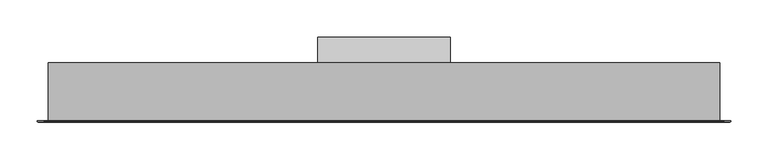
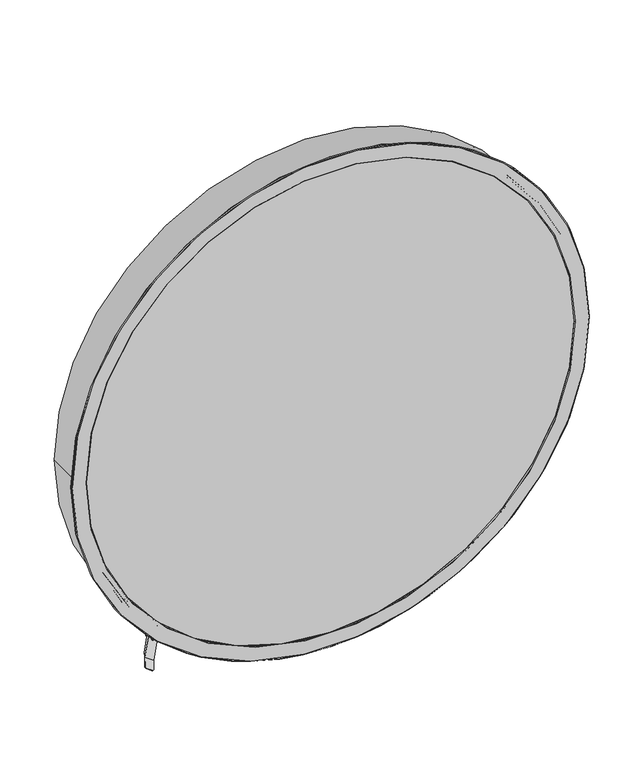
"""IFC4 building model written with IfcOpenShell, lengths in millimetres: proxy geometry."""

from ifc_helpers import new_model, si_unit, point, frame, frame_2d, origin, place, context, project, spatial, polyline, circle_curve, trimmed, segment, composite_curve, outline, extrude, source, transform, mapped, element, save
from ifc_brep_helpers import plane_surface, cylinder_surface, revolved_surface, advanced_brep


def generic_models_aa4fda2a(model_context):
    return source(origin(), model_context, "Body", "SolidModel", [
        advanced_brep(
        [(900.0, 2.0, 0.0), (900.0, 80.0, 0.0), (0.0, 80.0, 0.0), (0.0, 2.0, 0.0), (915.0, 2.0, 0.0), (-15.0, 2.0, 0.0), (915.0, 1.0, 0.0), (-15.0, 1.0, 0.0), (914.0, 0.0, 1e-07), (-14.0, 0.0, -1e-07), (889.0, 0.0, 0.0), (11.0, 0.0, 0.0), (12.0, 1.0, 0.0), (888.0, 1.0, 0.0), (888.0, 1.99, 0.0), (12.0, 1.99, 0.0), (898.0, 1.99, 0.0), (2.0, 1.99, 0.0), (2.0, 5.2, 0.0), (898.0, 5.2, 0.0), (892.8, 5.2, 0.0), (7.2, 5.2, 0.0), (7.2, 6.0, 0.0), (892.8, 6.0, 0.0), (894.3, 7.0, 0.0), (5.7, 7.0, 0.0), (898.0, 7.0, 0.0), (2.0, 7.0, 0.0), (2.0, 75.0, 0.0), (898.0, 75.0, 0.0), (888.0, 75.0, 0.0), (12.0, 75.0, 0.0), (12.0, 78.0, 0.0), (888.0, 78.0, 0.0), (898.0, 78.0, 0.0), (2.0, 78.0, 0.0), (2.0, 80.0, 0.0), (898.0, 80.0, 0.0)],
        [
            (0, 1),
            (1, 2, circle_curve(frame((450.0, 80.0, 0.0), z_axis=(0.0, -1.0, 0.0), x_axis=(1.0, 0.0, 0.0)), 450.0)),
            (2, 3),
            (3, 0, circle_curve(frame((450.0, 2.0, 0.0), z_axis=(0.0, 1.0, 0.0), x_axis=(1.0, 0.0, 0.0)), 450.0)),
            (4, 5, circle_curve(frame((450.0, 2.0, 0.0), z_axis=(0.0, 1.0, 0.0), x_axis=(1.0, 0.0, 0.0)), 465.0)),
            (5, 4, circle_curve(frame((450.0, 2.0, 0.0), z_axis=(0.0, 1.0, 0.0), x_axis=(1.0, 0.0, 0.0)), 465.0)),
            (3, 0, circle_curve(frame((450.0, 2.0, 0.0), z_axis=(0.0, -1.0, 0.0), x_axis=(1.0, 0.0, 0.0)), 450.0)),
            (6, 4),
            (5, 7),
            (7, 6, circle_curve(frame((450.0, 1.0, 0.0), z_axis=(0.0, 1.0, 0.0), x_axis=(1.0, 0.0, 0.0)), 465.0)),
            (8, 6),
            (7, 9),
            (9, 8, circle_curve(frame((450.0, 0.0, 0.0), z_axis=(0.0, 1.0, 0.0), x_axis=(-1.0, 0.0, -1.2695515143649633e-10)), 464.0)),
            (9, 8, circle_curve(frame((450.0, 0.0, 0.0), z_axis=(0.0, -1.0, 0.0), x_axis=(1.0, 0.0, 1.2689843048231545e-10)), 464.0)),
            (10, 11, circle_curve(frame((450.0, 0.0, 0.0), z_axis=(0.0, 1.0, 0.0), x_axis=(1.0, 0.0, 0.0)), 439.0)),
            (11, 10, circle_curve(frame((450.0, 0.0, 0.0), z_axis=(0.0, 1.0, 0.0), x_axis=(-1.0, 0.0, 0.0)), 439.0)),
            (12, 13, circle_curve(frame((450.0, 1.0, 0.0), z_axis=(0.0, 1.0, 0.0), x_axis=(-1.0, 0.0, 0.0)), 438.0)),
            (13, 10),
            (11, 12),
            (13, 12, circle_curve(frame((450.0, 1.0, 0.0), z_axis=(0.0, 1.0, 0.0), x_axis=(1.0, 0.0, 0.0)), 438.0)),
            (13, 14),
            (14, 15, circle_curve(frame((450.0, 1.99, 0.0), z_axis=(0.0, 1.0, 0.0), x_axis=(1.0, 0.0, 0.0)), 438.0)),
            (15, 12),
            (15, 14, circle_curve(frame((450.0, 1.99, 0.0), z_axis=(0.0, 1.0, 0.0), x_axis=(1.0, 0.0, 0.0)), 438.0)),
            (16, 17, circle_curve(frame((450.0, 1.99, 0.0), z_axis=(0.0, 1.0, 0.0), x_axis=(1.0, 0.0, 0.0)), 448.0)),
            (17, 16, circle_curve(frame((450.0, 1.99, 0.0), z_axis=(0.0, 1.0, 0.0), x_axis=(1.0, 0.0, 0.0)), 448.0)),
            (18, 19, circle_curve(frame((450.0, 5.2, 0.0), z_axis=(0.0, 1.0, 0.0), x_axis=(1.0, 0.0, 0.0)), 448.0)),
            (19, 16),
            (17, 18),
            (19, 18, circle_curve(frame((450.0, 5.2, 0.0), z_axis=(0.0, 1.0, 0.0), x_axis=(1.0, 0.0, 0.0)), 448.0)),
            (20, 21, circle_curve(frame((450.0, 5.2, 0.0), z_axis=(0.0, 1.0, 0.0), x_axis=(1.0, 0.0, 0.0)), 442.8)),
            (21, 20, circle_curve(frame((450.0, 5.2, 0.0), z_axis=(0.0, 1.0, 0.0), x_axis=(1.0, 0.0, 0.0)), 442.8)),
            (22, 23, circle_curve(frame((450.0, 6.0, 0.0), z_axis=(0.0, 1.0, 0.0), x_axis=(1.0, 0.0, 0.0)), 442.8)),
            (23, 20),
            (21, 22),
            (23, 22, circle_curve(frame((450.0, 6.0, 0.0), z_axis=(0.0, 1.0, 0.0), x_axis=(1.0, 0.0, 0.0)), 442.8)),
            (23, 24),
            (24, 25, circle_curve(frame((450.0, 7.0, 0.0), z_axis=(0.0, 1.0, 0.0), x_axis=(1.0, 0.0, 0.0)), 444.3)),
            (25, 22),
            (25, 24, circle_curve(frame((450.0, 7.0, 0.0), z_axis=(0.0, 1.0, 0.0), x_axis=(-1.0, 0.0, 0.0)), 444.3)),
            (26, 27, circle_curve(frame((450.0, 7.0, 0.0), z_axis=(0.0, 1.0, 0.0), x_axis=(1.0, 0.0, 0.0)), 448.0)),
            (27, 26, circle_curve(frame((450.0, 7.0, 0.0), z_axis=(0.0, 1.0, 0.0), x_axis=(1.0, 0.0, 0.0)), 448.0)),
            (28, 29, circle_curve(frame((450.0, 75.0, 0.0), z_axis=(0.0, 1.0, 0.0), x_axis=(1.0, 0.0, 0.0)), 448.0)),
            (29, 26),
            (27, 28),
            (29, 28, circle_curve(frame((450.0, 75.0, 0.0), z_axis=(0.0, 1.0, 0.0), x_axis=(1.0, 0.0, 0.0)), 448.0)),
            (30, 31, circle_curve(frame((450.0, 75.0, 0.0), z_axis=(0.0, 1.0, 0.0), x_axis=(1.0, 0.0, 0.0)), 438.0)),
            (31, 30, circle_curve(frame((450.0, 75.0, 0.0), z_axis=(0.0, 1.0, 0.0), x_axis=(1.0, 0.0, 0.0)), 438.0)),
            (32, 33, circle_curve(frame((450.0, 78.0, 0.0), z_axis=(0.0, 1.0, 0.0), x_axis=(1.0, 0.0, 0.0)), 438.0)),
            (33, 30),
            (31, 32),
            (33, 32, circle_curve(frame((450.0, 78.0, 0.0), z_axis=(0.0, 1.0, 0.0), x_axis=(1.0, 0.0, 0.0)), 438.0)),
            (34, 35, circle_curve(frame((450.0, 78.0, 0.0), z_axis=(0.0, 1.0, 0.0), x_axis=(1.0, 0.0, 0.0)), 448.0)),
            (35, 34, circle_curve(frame((450.0, 78.0, 0.0), z_axis=(0.0, 1.0, 0.0), x_axis=(1.0, 0.0, 0.0)), 448.0)),
            (36, 37, circle_curve(frame((450.0, 80.0, 0.0), z_axis=(0.0, 1.0, 0.0), x_axis=(1.0, 0.0, 0.0)), 448.0)),
            (37, 34),
            (35, 36),
            (37, 36, circle_curve(frame((450.0, 80.0, 0.0), z_axis=(0.0, 1.0, 0.0), x_axis=(1.0, 0.0, 0.0)), 448.0)),
            (1, 2, circle_curve(frame((450.0, 80.0, 0.0), z_axis=(0.0, 1.0, 0.0), x_axis=(1.0, 0.0, 0.0)), 450.0)),
            (7, 6, circle_curve(frame((450.0, 1.0, 0.0), z_axis=(0.0, -1.0, 0.0), x_axis=(1.0, 0.0, 1.2689843048231545e-10)), 465.0)),
        ],
        [
            cylinder_surface(frame((450.0, -4.0, 0.0), z_axis=(0.0, 1.0, 0.0), x_axis=(1.0, 0.0, 0.0)), 450.0),
            plane_surface(frame((450.0, 2.0, 0.0), z_axis=(0.0, 1.0, 0.0), x_axis=(1.0, 0.0, 0.0))),
            cylinder_surface(frame((450.0, 0.0, 0.0), z_axis=(0.0, -1.0, 0.0), x_axis=(1.0, 0.0, 0.0)), 465.0),
            revolved_surface(polyline([(914.0, 0.0, 0.0), (915.0, 1.0, 0.0)]), (450.0, -464.0, 0.0), (0.0, 1.0, 0.0)),
            plane_surface(frame((450.0, 0.0, 0.0), z_axis=(0.0, -1.0, 0.0), x_axis=(1.0, 0.0, 0.0))),
            revolved_surface(polyline([(889.0, 0.0, 0.0), (888.0, 1.0, 0.0)]), (450.0, 439.0, 0.0), (0.0, -1.0, 0.0)),
            revolved_surface(polyline([(11.0, 0.0, 0.0), (12.0, 1.0, 0.0)]), (450.0, 439.0, 0.0), (0.0, -1.0, 0.0)),
            revolved_surface(polyline([(888.0, 1.9900000000000002, 0.0), (888.0, 1.0, 0.0)]), (450.0, -4.0, 0.0), (0.0, 1.0, 0.0)),
            plane_surface(frame((450.0, 1.99, 0.0), z_axis=(0.0, 1.0, 0.0), x_axis=(1.0, 0.0, 0.0))),
            revolved_surface(polyline([(898.0, 5.199999999999999, 0.0), (898.0, 1.9900000000000002, 0.0)]), (450.0, -4.0, 0.0), (0.0, 1.0, 0.0)),
            plane_surface(frame((450.0, 5.2, 0.0), z_axis=(0.0, -1.0, 0.0), x_axis=(1.0, 0.0, 0.0))),
            revolved_surface(polyline([(892.8, 6.0, 0.0), (892.8, 5.199999999999999, 0.0)]), (450.0, -4.0, 0.0), (0.0, 1.0, 0.0)),
            revolved_surface(polyline([(894.3, 7.0, 0.0), (892.8, 6.0, 0.0)]), (450.0, -289.2, 0.0), (0.0, 1.0, 0.0)),
            revolved_surface(polyline([(5.699999999999989, 7.0, 0.0), (7.199999999999989, 6.0, 0.0)]), (450.0, -289.2, 0.0), (0.0, 1.0, 0.0)),
            plane_surface(frame((450.0, 7.0, 0.0), z_axis=(0.0, 1.0, 0.0), x_axis=(1.0, 0.0, 0.0))),
            revolved_surface(polyline([(898.0, 75.0, 0.0), (898.0, 7.0, 0.0)]), (450.0, -4.0, 0.0), (0.0, 1.0, 0.0)),
            plane_surface(frame((450.0, 75.0, 0.0), z_axis=(0.0, -1.0, 0.0), x_axis=(1.0, 0.0, 0.0))),
            revolved_surface(polyline([(888.0, 78.0, 0.0), (888.0, 75.0, 0.0)]), (450.0, -4.0, 0.0), (0.0, 1.0, 0.0)),
            plane_surface(frame((450.0, 78.0, 0.0), z_axis=(0.0, 1.0, 0.0), x_axis=(1.0, 0.0, 0.0))),
            revolved_surface(polyline([(898.0, 80.0, 0.0), (898.0, 78.0, 0.0)]), (450.0, -4.0, 0.0), (0.0, 1.0, 0.0)),
            plane_surface(frame((450.0, 80.0, 0.0), z_axis=(0.0, 1.0, 0.0), x_axis=(1.0, 0.0, 0.0))),
            revolved_surface(polyline([(-14.0, 0.0, 0.0), (-15.0, 1.0, 0.0)]), (450.0, -464.0, 0.0), (0.0, 1.0, 0.0)),
        ],
        [
            (0, [[1, 2, 3, 4]]),
            (1, [[5, 6], [7, -4]]),
            (2, [[8, -6, 9, 10]]),
            (3, [[11, -10, 12, 13]]),
            (4, [[-13, 14], [15, 16]]),
            (5, [[17, 18, -16, 19]]),
            (6, [[-15, -18, 20, -19]]),
            (7, [[-20, 21, 22, 23]]),
            (7, [[24, -21, -17, -23]]),
            (8, [[25, 26], [-24, -22]]),
            (9, [[27, 28, -26, 29]]),
            (9, [[-25, -28, 30, -29]]),
            (10, [[-27, -30], [31, 32]]),
            (11, [[33, 34, -32, 35]]),
            (11, [[-31, -34, 36, -35]]),
            (12, [[-36, 37, 38, 39]]),
            (13, [[40, -37, -33, -39]]),
            (14, [[41, 42], [-40, -38]]),
            (15, [[43, 44, -42, 45]]),
            (15, [[-41, -44, 46, -45]]),
            (16, [[-43, -46], [47, 48]]),
            (17, [[49, 50, -48, 51]]),
            (17, [[-47, -50, 52, -51]]),
            (18, [[53, 54], [-49, -52]]),
            (19, [[55, 56, -54, 57]]),
            (19, [[-53, -56, 58, -57]]),
            (20, [[59, -2], [-55, -58]]),
            (0, [[-3, -59, -1, -7]]),
            (21, [[-12, 60, -11, -14]]),
            (2, [[-9, -5, -8, -60]]),
        ],
    ),
        extrude(outline(composite_curve([segment(trimmed(circle_curve(frame_2d((0.0, 450.0)), 447.0), [point((0.0, 897.0))], [point((0.0, 3.0))], False, "CARTESIAN"), True, "CONTINUOUS"), segment(trimmed(circle_curve(frame_2d((0.0, 450.0)), 447.0), [point((0.0, 3.0))], [point((0.0, 897.0))], False, "CARTESIAN"), True, "CONTINUOUS")], self_intersect=False)), frame((0.0, 1.99, 0.0), z_axis=(0.0, 1.0, 0.0), x_axis=(0.0, 0.0, 1.0)), (0.0, 0.0, 1.0), 1.0),
        advanced_brep(
        [(897.0, 78.0, 0.0), (3.0, 78.0, 0.0), (455.0, 78.0, 0.0), (445.0, 78.0, 0.0), (3.0, 79.0, 0.0), (897.0, 79.0, 0.0), (361.0, 79.0, -50.0), (539.0, 79.0, -50.0), (539.0, 79.0, 50.0), (361.0, 79.0, 50.0), (361.0, 114.0, 50.0), (361.0, 114.0, -50.0), (539.0, 114.0, -50.0), (539.0, 114.0, 50.0), (455.0, 79.0, 0.0), (445.0, 79.0, 0.0)],
        [
            (0, 1, circle_curve(frame((450.0, 78.0, 0.0), z_axis=(0.0, -1.0, 0.0), x_axis=(1.0, 0.0, 0.0)), 447.0)),
            (1, 0, circle_curve(frame((450.0, 78.0, 0.0), z_axis=(0.0, -1.0, 0.0), x_axis=(1.0, 0.0, 0.0)), 447.0)),
            (2, 3, circle_curve(frame((450.0, 78.0, 0.0), z_axis=(0.0, 1.0, 0.0), x_axis=(1.0, 0.0, 0.0)), 5.0)),
            (3, 2, circle_curve(frame((450.0, 78.0, 0.0), z_axis=(0.0, 1.0, 0.0), x_axis=(1.0, 0.0, 0.0)), 5.0)),
            (1, 4),
            (4, 5, circle_curve(frame((450.0, 79.0, 0.0), z_axis=(0.0, -1.0, 0.0), x_axis=(1.0, 0.0, 0.0)), 447.0)),
            (5, 0),
            (5, 4, circle_curve(frame((450.0, 79.0, 0.0), z_axis=(0.0, -1.0, 0.0), x_axis=(1.0, 0.0, 0.0)), 447.0)),
            (6, 7),
            (7, 8),
            (8, 9),
            (9, 6),
            (9, 10),
            (10, 11),
            (11, 6),
            (11, 12),
            (12, 7),
            (12, 13),
            (13, 8),
            (13, 10),
            (14, 2),
            (3, 15),
            (15, 14, circle_curve(frame((450.0, 79.0, 0.0), z_axis=(0.0, 1.0, 0.0), x_axis=(1.0, 0.0, 0.0)), 5.0)),
            (15, 14, circle_curve(frame((450.0, 79.0, 0.0), z_axis=(0.0, -1.0, 0.0), x_axis=(1.0, 0.0, 0.0)), 5.0)),
        ],
        [
            plane_surface(frame((240.0, 78.0, 240.0), z_axis=(0.0, -1.0, 0.0), x_axis=(1.0, 0.0, 0.0))),
            cylinder_surface(frame((450.0, 78.0, 0.0), z_axis=(0.0, 1.0, 0.0), x_axis=(1.0, 0.0, 0.0)), 447.0),
            plane_surface(frame((240.0, 79.0, 240.0), z_axis=(0.0, 1.0, 0.0), x_axis=(1.0, 0.0, 0.0))),
            plane_surface(frame((361.0, 79.0, -50.0), z_axis=(-1.0, 0.0, 0.0), x_axis=(0.0, 0.0, 1.0))),
            plane_surface(frame((539.0, 79.0, -50.0), z_axis=(0.0, 0.0, -1.0), x_axis=(-1.0, 0.0, 0.0))),
            plane_surface(frame((539.0, 79.0, 50.0), z_axis=(1.0, 0.0, 0.0), x_axis=(0.0, 0.0, -1.0))),
            plane_surface(frame((361.0, 79.0, 50.0), z_axis=(0.0, 0.0, 1.0), x_axis=(1.0, 0.0, 0.0))),
            plane_surface(frame((240.0, 114.0, 240.0), z_axis=(0.0, 1.0, 0.0), x_axis=(1.0, 0.0, 0.0))),
            revolved_surface(polyline([(455.0, 79.0, 0.0), (455.0, 78.0, 0.0)]), (450.0, 78.0, 0.0), (0.0, 1.0, 0.0)),
            plane_surface(frame((240.0, 79.0, 240.0), z_axis=(0.0, -1.0, 0.0), x_axis=(1.0, 0.0, 0.0))),
        ],
        [
            (0, [[1, 2], [3, 4]]),
            (1, [[5, 6, 7, -2]]),
            (1, [[-7, 8, -5, -1]]),
            (2, [[-8, -6], [9, 10, 11, 12]]),
            (3, [[13, 14, 15, -12]]),
            (4, [[-15, 16, 17, -9]]),
            (5, [[-17, 18, 19, -10]]),
            (6, [[-19, 20, -13, -11]]),
            (7, [[-20, -18, -16, -14]]),
            (8, [[21, -4, 22, 23]]),
            (9, [[24, -23]]),
            (8, [[-22, -3, -21, -24]]),
        ],
    ),
        advanced_brep(
        [(169.8725713, 15.0870928, -360.4462829), (168.9500213, 15.0870928, -361.6290345), (168.0621065, 46.4893429, -360.9364582), (169.2921732, 46.4893429, -359.359456), (170.4657252, 48.4880583, -357.7383721), (170.3668244, 51.9858101, -357.6612293), (172.7139284, 55.9832407, -354.4190615), (173.4477465, 30.030818, -354.991442), (171.176345, 55.9832407, -356.3903143), (169.331245, 55.9832407, -358.7558176), (168.1492531, 55.9294855, -357.8338602), (169.9943531, 55.9294855, -355.4683569), (158.1744338, 55.3919336, -346.2487828), (159.3564257, 55.4456888, -347.1707402), (157.5113257, 55.4456888, -349.5362436), (156.3293338, 55.3919336, -348.6142862), (172.2657545, 29.9770628, -354.0694845), (171.5319364, 55.9294855, -353.4971041), (169.1848325, 51.9320549, -356.7392719), (169.2837332, 48.4343031, -356.8164147), (168.1101813, 46.4355878, -358.4374986), (167.8026646, 46.4355878, -358.8317492), (168.6905794, 15.0333376, -359.5243255), (156.8706601, 14.4957857, -350.3047514), (158.052652, 14.5495409, -351.2267088), (161.6278272, 29.4932661, -345.7718679), (160.4458352, 29.4395109, -344.8499105), (155.9481101, 14.4957857, -351.4875031), (157.1647372, 45.951791, -350.5341325), (164.8775477, 31.2929165, -356.5501488), (160.9375747, 31.1137326, -353.4769575), (157.4722539, 45.951791, -350.1398819), (158.6458059, 47.9505063, -348.5187981), (158.5469051, 51.4482581, -348.4416552), (160.8940091, 55.4456888, -345.1994875), (159.7120171, 55.3919336, -344.2775301), (157.3649132, 51.394503, -347.5196978), (157.4638139, 47.8967512, -347.5968407), (156.290262, 45.8980358, -349.2179245), (155.0601953, 45.8980358, -350.7949268), (160.0150246, 31.1137326, -354.6597092), (163.9549977, 31.2929165, -357.7329005)],
        [
            (0, 1),
            (1, 2),
            (2, 3),
            (3, 4, circle_curve(frame((169.2356585, 48.4880583, -359.3153744), z_axis=(-0.7879946195436067, -0.03583679412656441, 0.6146382706576747), x_axis=(0.6150333337583725, 0.0, 0.7885011086650814)), 2.0)),
            (4, 5),
            (5, 6, circle_curve(frame((170.253795, 55.9832407, -357.573066), z_axis=(0.7879946195436067, 0.03583679412656441, -0.6146382706576747), x_axis=(-0.6150333337583725, 0.0, -0.7885011086650814)), 4.0)),
            (6, 7),
            (7, 0),
            (8, 9, circle_curve(frame((170.253795, 55.9832407, -357.573066), z_axis=(-0.7879946195436068, -0.03583679412656441, 0.6146382706576746), x_axis=(-0.6150333337583724, 0.0, -0.7885011086650814)), 1.5)),
            (9, 8, circle_curve(frame((170.253795, 55.9832407, -357.573066), z_axis=(-0.7879946195436068, -0.03583679412656441, 0.6146382706576746), x_axis=(-0.6150333337583724, 0.0, -0.7885011086650814)), 1.5)),
            (9, 10),
            (10, 11, circle_curve(frame((169.0718031, 55.9294855, -356.6511086), z_axis=(-0.7879946195436068, -0.03583679412656441, 0.6146382706576746), x_axis=(-0.6150333337583724, 0.0, -0.7885011086650814)), 1.5)),
            (11, 8),
            (12, 13),
            (13, 14, circle_curve(frame((158.4338757, 55.4456888, -348.3534919), z_axis=(0.7879946195436068, 0.03583679412656441, -0.6146382706576746), x_axis=(-0.6150333337583724, 0.0, -0.7885011086650814)), 1.5)),
            (14, 15),
            (15, 12, circle_curve(frame((157.2518838, 55.3919336, -347.4315345), z_axis=(-0.7879946195436068, -0.03583679412656441, 0.6146382706576746), x_axis=(-0.6150333337583724, 0.0, -0.7885011086650814)), 1.5)),
            (11, 10, circle_curve(frame((169.0718031, 55.9294855, -356.6511086), z_axis=(-0.7879946195436068, -0.03583679412656441, 0.6146382706576746), x_axis=(-0.6150333337583724, 0.0, -0.7885011086650814)), 1.5)),
            (14, 13, circle_curve(frame((158.4338757, 55.4456888, -348.3534919), z_axis=(0.7879946195436068, 0.03583679412656441, -0.6146382706576746), x_axis=(-0.6150333337583724, 0.0, -0.7885011086650814)), 1.5)),
            (12, 15, circle_curve(frame((157.2518838, 55.3919336, -347.4315345), z_axis=(-0.7879946195436068, -0.03583679412656441, 0.6146382706576746), x_axis=(-0.6150333337583724, 0.0, -0.7885011086650814)), 1.5)),
            (16, 17),
            (17, 18, circle_curve(frame((169.0718031, 55.9294855, -356.6511086), z_axis=(-0.7879946195436067, -0.03583679412656441, 0.6146382706576747), x_axis=(-0.6150333337583725, 0.0, -0.7885011086650814)), 4.0)),
            (18, 19),
            (19, 20, circle_curve(frame((168.0536666, 48.4343031, -358.393417), z_axis=(0.7879946195436067, 0.03583679412656441, -0.6146382706576747), x_axis=(0.6150333337583725, 0.0, 0.7885011086650814)), 2.0)),
            (20, 21),
            (21, 22),
            (22, 16),
            (7, 16),
            (22, 0),
            (23, 24),
            (24, 25),
            (25, 26),
            (26, 23),
            (23, 27),
            (27, 1),
            (22, 24),
            (21, 28),
            (28, 24),
            (29, 30, circle_curve(frame((162.9075612, 31.2033246, -355.0135532), z_axis=(-0.6150333337583723, 0.0, -0.7885011086650816), x_axis=(-0.787994619543607, -0.0358367941265644, 0.6146382706576744)), 2.5)),
            (30, 29, circle_curve(frame((162.9075612, 31.2033246, -355.0135532), z_axis=(-0.6150333337583723, 0.0, -0.7885011086650816), x_axis=(-0.787994619543607, -0.0358367941265644, 0.6146382706576744)), 2.5)),
            (28, 31),
            (31, 32, circle_curve(frame((157.4157392, 47.9505063, -350.0958003), z_axis=(-0.7879946195436067, -0.03583679412656441, 0.6146382706576747), x_axis=(0.6150333337583725, 0.0, 0.7885011086650814)), 2.0)),
            (32, 33),
            (33, 34, circle_curve(frame((158.4338757, 55.4456888, -348.3534919), z_axis=(0.7879946195436067, 0.03583679412656441, -0.6146382706576747), x_axis=(-0.6150333337583725, 0.0, -0.7885011086650814)), 4.0)),
            (34, 25),
            (34, 35),
            (35, 26),
            (35, 36, circle_curve(frame((157.2518838, 55.3919336, -347.4315345), z_axis=(-0.7879946195436067, -0.03583679412656441, 0.6146382706576747), x_axis=(-0.6150333337583725, 0.0, -0.7885011086650814)), 4.0)),
            (36, 37),
            (37, 38, circle_curve(frame((156.2337473, 47.8967512, -349.1738429), z_axis=(0.7879946195436067, 0.03583679412656441, -0.6146382706576747), x_axis=(0.6150333337583725, 0.0, 0.7885011086650814)), 2.0)),
            (38, 39),
            (39, 27),
            (39, 2),
            (40, 41, circle_curve(frame((161.9850112, 31.2033246, -356.1963048), z_axis=(0.6150333337583723, 0.0, 0.7885011086650816), x_axis=(-0.787994619543607, -0.0358367941265644, 0.6146382706576744)), 2.5)),
            (41, 40, circle_curve(frame((161.9850112, 31.2033246, -356.1963048), z_axis=(0.6150333337583723, 0.0, 0.7885011086650816), x_axis=(-0.787994619543607, -0.0358367941265644, 0.6146382706576744)), 2.5)),
            (38, 31),
            (20, 3),
            (19, 4),
            (18, 5),
            (36, 33),
            (32, 37),
            (17, 6),
            (30, 40),
            (41, 29),
        ],
        [
            plane_surface(frame((166.8070967, 36.4957664, -363.1281192), z_axis=(0.7879946195436067, 0.03583679412656441, -0.6146382706576747), x_axis=(-0.6150333337583725, 0.0, -0.7885011086650814))),
            revolved_surface(polyline([(168.14925308575414, 55.929485511590926, -357.83386021758804), (169.33124502433176, 55.983240703202, -358.75581763079913)]), (157.2518838, 55.3919336, -347.4315345), (-0.7879946195436066, -0.0358367941265644, 0.6146382706576745)),
            revolved_surface(polyline([(156.32933378104514, 55.39193359916696, -348.6142861487101), (157.5113257261415, 55.445688791074495, -349.5362435670058)]), (157.2518838, 55.3919336, -347.4315345), (-0.7879946195436066, -0.0358367941265644, 0.6146382706576745)),
            plane_surface(frame((165.6251048, 36.4420112, -362.2061618), z_axis=(-0.7879946195436067, -0.03583679412656441, 0.6146382706576747), x_axis=(-0.6150333337583725, 0.0, -0.7885011086650814))),
            plane_surface(frame((160.4458352, 29.4395109, -344.8499105), z_axis=(0.5753134575891286, -0.39839535087401956, 0.7143497532153342), x_axis=(-0.21926902445892485, -0.916513430664656, -0.3345507828777782))),
            plane_surface(frame((128.9583005, 13.3382573, -333.6059397), z_axis=(0.02825735189979861, -0.9993576557903233, -0.022040822962872967), x_axis=(0.7879946195436068, 0.035836794126564396, -0.6146382706576744))),
            plane_surface(frame((169.2672301, 36.4957664, -359.9741148), z_axis=(0.6150333337583725, 0.0, 0.7885011086650815), x_axis=(-0.0282573518997986, 0.9993576557903233, 0.022040822962872957))),
            plane_surface(frame((154.9871774, 35.9582145, -353.9085452), z_axis=(0.7879946195436067, 0.03583679412656441, -0.6146382706576747), x_axis=(-0.6150333337583725, 0.0, -0.7885011086650814))),
            plane_surface(frame((160.0511054, 43.3996417, -344.5420199), z_axis=(0.6150333337583725, 0.0, 0.7885011086650815), x_axis=(-0.0282573518997986, 0.9993576557903233, 0.022040822962872957))),
            plane_surface(frame((153.8051855, 35.9044593, -352.9865878), z_axis=(-0.7879946195436067, -0.03583679412656441, 0.6146382706576747), x_axis=(-0.6150333337583725, 0.0, -0.7885011086650814))),
            plane_surface(frame((167.6806323, 59.9806713, -360.6389071), z_axis=(-0.6150333337583725, 0.0, -0.7885011086650815), x_axis=(0.0282573518997986, -0.9993576557903233, -0.022040822962872957))),
            plane_surface(frame((166.8801146, 46.4355878, -360.0145008), z_axis=(-0.02825735189979861, 0.9993576557903233, 0.022040822962872967), x_axis=(-0.7879946195436068, -0.035836794126564396, 0.6146382706576744))),
            revolved_surface(polyline([(170.46572521939714, 48.48805822738811, -357.73837212039047), (169.2837332289722, 48.4343030334191, -356.81641466673835)]), (105.8856191, 45.606995, -309.9021452), (0.7879946195436067, 0.03583679412656441, -0.6146382706576747)),
            plane_surface(frame((157.5203286, 45.8980358, -347.6409223), z_axis=(-0.6150333337583725, 0.0, -0.7885011086650815), x_axis=(-0.0282573518997986, 0.9993576557903233, 0.022040822962872957))),
            cylinder_surface(frame((106.9037556, 53.1021774, -308.1598368), z_axis=(0.7879946195436067, 0.03583679412656441, -0.6146382706576747), x_axis=(-0.6150333337583725, 0.0, -0.7885011086650814)), 4.0),
            plane_surface(frame((173.0530166, 43.9909488, -354.6835514), z_axis=(0.6150333337583725, 0.0, 0.7885011086650815), x_axis=(-0.0282573518997986, 0.9993576557903233, 0.022040822962872957))),
            revolved_surface(polyline([(158.64580592862924, 47.95050631559816, -348.51879806238657), (157.46381396089782, 47.896751122661215, -347.59684062643544)]), (105.8856191, 45.606995, -309.9021452), (0.7879946195436067, 0.03583679412656441, -0.6146382706576747)),
            revolved_surface(polyline([(160.01502460799517, 31.113732614683588, -354.65970920623624), (160.93757466416264, 31.113732614683588, -353.47695747204676)]), (163.5225945, 31.2033246, -354.2250521), (-0.6150333337583724, 0.0, -0.7885011086650818)),
        ],
        [
            (0, [[1, 2, 3, 4, 5, 6, 7, 8], [9, 10]]),
            (1, [[11, 12, 13, -10]]),
            (2, [[14, 15, 16, 17]]),
            (1, [[-13, 18, -11, -9]]),
            (2, [[-16, 19, -14, 20]]),
            (3, [[21, 22, 23, 24, 25, 26, 27], [-18, -12]]),
            (4, [[28, -27, 29, -8]]),
            (4, [[30, 31, 32, 33]]),
            (5, [[34, 35, -1, -29, 36, -30]]),
            (6, [[-26, 37, 38, -36], [39, 40]]),
            (7, [[-38, 41, 42, 43, 44, 45, -31], [-19, -15]]),
            (8, [[-45, 46, 47, -32]]),
            (9, [[-47, 48, 49, 50, 51, 52, -34, -33], [-20, -17]]),
            (10, [[53, -2, -35, -52], [54, 55]]),
            (11, [[-53, -51, 56, -41, -37, -25, 57, -3]]),
            (12, [[-4, -57, -24, 58]]),
            (13, [[-58, -23, 59, -5]]),
            (13, [[60, -43, 61, -49]]),
            (14, [[-59, -22, 62, -6]]),
            (14, [[-46, -44, -60, -48]]),
            (15, [[-7, -62, -21, -28]]),
            (16, [[-42, -56, -50, -61]]),
            (17, [[63, -55, 64, -40]]),
            (17, [[-64, -54, -63, -39]]),
        ],
    ),
        advanced_brep(
        [(146.5362422, 27.9509873, -392.4617007), (159.2790112, 41.8108396, -375.3167773), (159.5308656, 42.7324406, -374.9401539), (159.4094501, 44.2528311, -375.007167), (159.6613045, 45.1744321, -374.6305436), (168.3690117, 54.6454926, -362.9146463), (169.2202689, 57.8685775, -361.6353718), (173.7595719, 58.3591841, -355.7871708), (174.2079091, 57.3115193, -355.2734665), (173.7826575, 53.1642562, -356.0604669), (144.2578599, 21.051194, -395.7849878), (138.4002986, 10.6111072, -403.9033662), (137.9206208, 11.3260329, -404.4766512), (143.7660757, 21.7445421, -396.3750519), (145.0500484, 23.141073, -394.6475142), (146.3356772, 27.5720896, -392.740926), (170.8821552, 55.2295213, -359.6586284), (172.3834161, 56.8623888, -357.6387375), (171.5954214, 56.8265521, -357.0240992), (170.0941605, 55.1936845, -359.0439901), (155.1222628, 54.5127854, -347.365863), (155.9102574, 54.5486222, -347.9805013), (157.4115183, 56.1814898, -345.9606104), (156.6235237, 56.145653, -345.3459721), (145.5476826, 27.5362528, -392.1262878), (144.2620537, 23.1052362, -394.032876), (166.1305292, 46.8907918, -364.6096527), (166.489199, 46.0526599, -364.1986892), (172.9946629, 53.1284194, -355.4458286), (173.4199145, 57.2756825, -354.6588282), (172.9715773, 58.3233473, -355.1725326), (168.4322742, 57.8327407, -361.0207335), (167.5810171, 54.6096558, -362.300008), (158.8733099, 45.1385953, -374.0159053), (158.6214555, 44.2169943, -374.3925287), (158.742871, 42.6966038, -374.3255156), (158.4910166, 41.7750028, -374.702139), (145.7482475, 27.9151505, -391.8470625), (130.7763498, 27.2342514, -380.1689353), (143.5191188, 41.0941037, -363.0240119), (144.3071134, 41.1299405, -363.6386502), (131.5643444, 27.2700882, -380.7835736), (131.3637795, 26.8911905, -381.0627989), (130.5757849, 26.8553537, -380.4481606), (144.5589678, 42.0515415, -363.2620268), (144.4375523, 43.571932, -363.3290399), (144.6894068, 44.493533, -362.9524165), (153.397114, 53.9645935, -351.2365192), (154.2483711, 57.1876784, -349.9572447), (158.7876741, 57.678285, -344.1090437), (159.2360113, 56.6306202, -343.5953393), (158.8107597, 52.4833571, -344.3823397), (152.3052959, 45.4075976, -353.1352003), (151.9466261, 46.2457295, -353.5461638), (130.0781506, 22.4601739, -382.9693871), (129.290156, 22.4243371, -382.3547488), (128.0061833, 21.0278062, -384.0822865), (122.1607284, 10.609297, -392.1838857), (122.6404062, 9.8943713, -391.6106008), (128.4979675, 20.3344581, -383.4922224), (158.0227651, 52.4475203, -343.7677015), (158.4480167, 56.5947834, -342.9807011), (157.9996795, 57.6424482, -343.4944054), (153.4603765, 57.1518416, -349.3426064), (152.6091193, 53.9287567, -350.6218809), (143.9014121, 44.4576962, -362.3377782), (143.6495577, 43.5360952, -362.7144016), (143.7709732, 42.0157047, -362.6473885), (158.5458635, 41.5191624, -366.5118735), (156.5441823, 39.3420057, -369.2050614), (150.2402254, 39.0553113, -364.2879552), (152.2419066, 41.2324681, -361.5947674), (151.8832368, 42.0705999, -362.0057309), (149.8815556, 39.8934432, -364.6989187), (156.1855126, 40.1801375, -369.6160249), (158.1871938, 42.3572943, -366.922837), (134.3417323, 9.0531657, -404.3165524), (123.3098076, 8.5514506, -395.7116166), (123.7894854, 7.8365249, -395.1383317), (134.82141, 8.33824, -403.7432675)],
        [
            (0, 1),
            (1, 2, circle_curve(frame((158.9203414, 42.6489714, -375.7277408), z_axis=(-0.7879946195436068, -0.035836794126564514, 0.6146382706576745), x_axis=(0.35866977076667117, -0.8381318527622796, 0.4109634934193695)), 1.0)),
            (2, 3),
            (3, 4, circle_curve(frame((160.0199743, 44.3363003, -374.2195801), z_axis=(0.7879946195436066, 0.03583679412656437, -0.6146382706576746), x_axis=(-0.6105241906115355, -0.08346916705760438, -0.7875868909706657)), 1.0)),
            (4, 5),
            (5, 6),
            (6, 7, circle_curve(frame((171.6327856, 56.0459551, -358.6486829), z_axis=(0.7879946195436067, 0.035836794126564236, -0.6146382706576745), x_axis=(-0.5004202984577154, -0.5442891892845217, -0.6732969651791764)), 4.25)),
            (7, 8),
            (8, 9, circle_curve(frame((172.7066482, 55.6786517, -357.2933574), z_axis=(0.7879946195436068, 0.03583679412656427, -0.6146382706576745), x_axis=(0.5004202984577153, 0.5442891892845216, 0.6732969651791764)), 3.0)),
            (9, 10),
            (10, 11),
            (11, 12),
            (12, 13),
            (13, 14),
            (14, 15),
            (15, 0, circle_curve(frame((146.8949119, 27.1128554, -392.0507372), z_axis=(0.7879946195436067, 0.03583679412656452, -0.6146382706576746), x_axis=(-0.5592346870919294, 0.4592341419912535, -0.6901887912613106)), 1.0)),
            (16, 17, circle_curve(frame((171.6327856, 56.0459551, -358.6486829), z_axis=(-0.7879946195436068, -0.03583679412656427, 0.6146382706576745), x_axis=(-0.5004202984577153, -0.5442891892845216, -0.6732969651791764)), 1.5)),
            (17, 16, circle_curve(frame((171.6327856, 56.0459551, -358.6486829), z_axis=(-0.7879946195436068, -0.03583679412656427, 0.6146382706576745), x_axis=(-0.5004202984577153, -0.5442891892845216, -0.6732969651791764)), 1.5)),
            (17, 18),
            (18, 19, circle_curve(frame((170.844791, 56.0101183, -358.0340447), z_axis=(-0.7879946195436068, -0.03583679412656427, 0.6146382706576745), x_axis=(-0.5004202984577153, -0.5442891892845216, -0.6732969651791764)), 1.5)),
            (19, 16),
            (20, 21),
            (21, 22, circle_curve(frame((156.6608878, 55.365056, -346.9705558), z_axis=(0.7879946195436068, 0.03583679412656427, -0.6146382706576745), x_axis=(-0.5004202984577153, -0.5442891892845216, -0.6732969651791764)), 1.5)),
            (22, 23),
            (23, 20, circle_curve(frame((155.8728932, 55.3292192, -346.3559175), z_axis=(-0.7879946195436068, -0.03583679412656427, 0.6146382706576745), x_axis=(-0.5004202984577153, -0.5442891892845216, -0.6732969651791764)), 1.5)),
            (19, 18, circle_curve(frame((170.844791, 56.0101183, -358.0340447), z_axis=(-0.7879946195436068, -0.03583679412656427, 0.6146382706576745), x_axis=(-0.5004202984577153, -0.5442891892845216, -0.6732969651791764)), 1.5)),
            (22, 21, circle_curve(frame((156.6608878, 55.365056, -346.9705558), z_axis=(0.7879946195436068, 0.03583679412656427, -0.6146382706576745), x_axis=(-0.5004202984577153, -0.5442891892845216, -0.6732969651791764)), 1.5)),
            (20, 23, circle_curve(frame((155.8728932, 55.3292192, -346.3559175), z_axis=(-0.7879946195436068, -0.03583679412656427, 0.6146382706576745), x_axis=(-0.5004202984577153, -0.5442891892845216, -0.6732969651791764)), 1.5)),
            (24, 25),
            (25, 26),
            (26, 27),
            (27, 28),
            (28, 29, circle_curve(frame((171.9186536, 55.6428149, -356.6787191), z_axis=(-0.7879946195436068, -0.03583679412656427, 0.6146382706576745), x_axis=(0.5004202984577153, 0.5442891892845216, 0.6732969651791764)), 3.0)),
            (29, 30),
            (30, 31, circle_curve(frame((170.844791, 56.0101183, -358.0340447), z_axis=(-0.7879946195436067, -0.035836794126564236, 0.6146382706576745), x_axis=(-0.5004202984577154, -0.5442891892845217, -0.6732969651791764)), 4.25)),
            (31, 32),
            (32, 33),
            (33, 34, circle_curve(frame((159.2319797, 44.3004635, -373.6049418), z_axis=(-0.7879946195436066, -0.03583679412656437, 0.6146382706576746), x_axis=(-0.6105241906115355, -0.08346916705760438, -0.7875868909706657)), 1.0)),
            (34, 35),
            (35, 36, circle_curve(frame((158.1323468, 42.6131346, -375.1131025), z_axis=(0.7879946195436068, 0.035836794126564514, -0.6146382706576745), x_axis=(0.35866977076667117, -0.8381318527622796, 0.4109634934193695)), 1.0)),
            (36, 37),
            (37, 24, circle_curve(frame((146.1069173, 27.0770186, -391.436099), z_axis=(-0.7879946195436067, -0.03583679412656452, 0.6146382706576746), x_axis=(-0.5592346870919294, 0.4592341419912535, -0.6901887912613106)), 1.0)),
            (15, 24),
            (37, 0),
            (38, 39),
            (39, 40),
            (40, 41),
            (41, 38),
            (36, 1),
            (42, 43),
            (43, 38, circle_curve(frame((131.1350195, 26.3961196, -379.7579718), z_axis=(0.7879946195436067, 0.03583679412656452, -0.6146382706576746), x_axis=(-0.5592346870919294, 0.4592341419912535, -0.6901887912613106)), 1.0)),
            (41, 42, circle_curve(frame((131.9230142, 26.4319563, -380.3726101), z_axis=(-0.7879946195436067, -0.03583679412656452, 0.6146382706576746), x_axis=(-0.5592346870919294, 0.4592341419912535, -0.6901887912613106)), 1.0)),
            (40, 44, circle_curve(frame((143.9484436, 41.9680723, -364.0496137), z_axis=(-0.7879946195436068, -0.035836794126564514, 0.6146382706576745), x_axis=(0.35866977076667117, -0.8381318527622796, 0.4109634934193695)), 1.0)),
            (44, 45),
            (45, 46, circle_curve(frame((145.0480765, 43.6554012, -362.541453), z_axis=(0.7879946195436066, 0.03583679412656437, -0.6146382706576746), x_axis=(-0.6105241906115355, -0.08346916705760438, -0.7875868909706657)), 1.0)),
            (46, 47),
            (47, 48),
            (48, 49, circle_curve(frame((156.6608878, 55.365056, -346.9705558), z_axis=(0.7879946195436067, 0.035836794126564236, -0.6146382706576745), x_axis=(-0.5004202984577154, -0.5442891892845217, -0.6732969651791764)), 4.25)),
            (49, 50),
            (50, 51, circle_curve(frame((157.7347504, 54.9977526, -345.6152302), z_axis=(0.7879946195436068, 0.03583679412656427, -0.6146382706576745), x_axis=(0.5004202984577153, 0.5442891892845216, 0.6732969651791764)), 3.0)),
            (51, 52),
            (52, 53),
            (53, 54),
            (54, 42),
            (54, 55),
            (55, 43),
            (14, 25),
            (55, 56),
            (56, 57),
            (57, 58),
            (58, 59),
            (59, 60),
            (60, 61, circle_curve(frame((156.9467558, 54.9619159, -345.000592), z_axis=(-0.7879946195436068, -0.03583679412656427, 0.6146382706576745), x_axis=(0.5004202984577153, 0.5442891892845216, 0.6732969651791764)), 3.0)),
            (61, 62),
            (62, 63, circle_curve(frame((155.8728932, 55.3292192, -346.3559175), z_axis=(-0.7879946195436067, -0.035836794126564236, 0.6146382706576745), x_axis=(-0.5004202984577154, -0.5442891892845217, -0.6732969651791764)), 4.25)),
            (63, 64),
            (64, 65),
            (65, 66, circle_curve(frame((144.2600819, 43.6195644, -361.9268147), z_axis=(-0.7879946195436066, -0.03583679412656437, 0.6146382706576746), x_axis=(-0.6105241906115355, -0.08346916705760438, -0.7875868909706657)), 1.0)),
            (66, 67),
            (67, 39, circle_curve(frame((143.160449, 41.9322355, -363.4349754), z_axis=(0.7879946195436068, 0.035836794126564514, -0.6146382706576745), x_axis=(0.35866977076667117, -0.8381318527622796, 0.4109634934193695)), 1.0)),
            (67, 44),
            (66, 45),
            (2, 35),
            (34, 3),
            (65, 46),
            (64, 47),
            (32, 5),
            (4, 33),
            (31, 6),
            (63, 48),
            (30, 7),
            (62, 49),
            (61, 50),
            (29, 8),
            (60, 51),
            (59, 10),
            (9, 28),
            (27, 52),
            (68, 69),
            (69, 70, circle_curve(frame((153.3922038, 39.1986585, -366.7465083), z_axis=(-0.35866977076667295, 0.8381318527622778, -0.4109634934193719), x_axis=(-0.5004202984577155, -0.5442891892845217, -0.6732969651791763)), 4.0)),
            (70, 71),
            (71, 68, circle_curve(frame((155.393885, 41.3758153, -364.0533205), z_axis=(-0.35866977076667306, 0.8381318527622776, -0.41096349341937205), x_axis=(0.5004202984577164, 0.5442891892845221, 0.6732969651791755)), 4.0)),
            (26, 53),
            (13, 56),
            (72, 73),
            (73, 74, circle_curve(frame((153.0335341, 40.0367904, -367.1574718), z_axis=(0.35866977076667295, -0.8381318527622778, 0.4109634934193719), x_axis=(-0.5004202984577155, -0.5442891892845217, -0.6732969651791763)), 4.0)),
            (74, 75),
            (75, 72, circle_curve(frame((155.0352153, 42.2139471, -364.4642839), z_axis=(0.35866977076667306, -0.8381318527622776, 0.41096349341937205), x_axis=(0.5004202984577164, 0.5442891892845221, 0.6732969651791755)), 4.0)),
            (12, 76, circle_curve(frame((135.5566369, 11.2185225, -402.6327363), z_axis=(-0.4637512443680407, 0.6911883015382873, -0.5542504083568287), x_axis=(0.7879946195436067, 0.0358367941265644, -0.6146382706576744)), 3.0)),
            (76, 77),
            (77, 57, circle_curve(frame((124.5247123, 10.7168074, -394.0278006), z_axis=(-0.4637512443680407, 0.6911883015382873, -0.5542504083568287), x_axis=(-0.7879946195436067, -0.0358367941265644, 0.6146382706576744)), 3.0)),
            (77, 78),
            (78, 58, circle_curve(frame((125.00439, 10.0018817, -393.4545156), z_axis=(-0.4637512443680407, 0.6911883015382873, -0.5542504083568287), x_axis=(-0.7879946195436067, -0.0358367941265644, 0.6146382706576744)), 3.0)),
            (78, 79),
            (79, 11, circle_curve(frame((136.0363147, 10.5035968, -402.0594514), z_axis=(0.4637512443680407, -0.6911883015382873, 0.5542504083568287), x_axis=(0.7879946195436067, 0.0358367941265644, -0.6146382706576744)), 3.0)),
            (79, 76),
            (75, 68),
            (71, 72),
            (70, 73),
            (69, 74),
        ],
        [
            plane_surface(frame((152.0143745, 29.4876764, -385.3488849), z_axis=(0.7879946195436067, 0.035836794126564125, -0.6146382706576748), x_axis=(-0.5004202984577156, -0.5442891892845219, -0.6732969651791764))),
            revolved_surface(polyline([(170.88215520676707, 55.229521318549686, -359.65862839024277), (170.09416052288793, 55.19368452149724, -359.04399006940315)]), (171.6327856, 56.0459551, -358.6486829), (0.7879946195436066, 0.035836794126564264, -0.6146382706576744)),
            revolved_surface(polyline([(155.9102574395095, 54.5486222303301, -347.9805012509223), (155.12226276165083, 54.512785433551464, -347.3658629347787)]), (171.6327856, 56.0459551, -358.6486829), (0.7879946195436066, 0.035836794126564264, -0.6146382706576744)),
            plane_surface(frame((176.6729952, 69.3810504, -349.782419), z_axis=(-0.787994619543607, -0.03583679412656457, 0.6146382706576745), x_axis=(0.358669770766673, -0.8381318527622778, 0.41096349341937183))),
            cylinder_surface(frame((110.5904238, 25.4617827, -363.7331228), z_axis=(0.7879946195436065, 0.035836794126564514, -0.6146382706576745), x_axis=(-0.5592346870919294, 0.4592341419912535, -0.6901887912613106)), 1.0),
            plane_surface(frame((159.5784537, 42.1365324, -374.9138885), z_axis=(-0.358669770766673, 0.8381318527622779, -0.4109634934193719), x_axis=(-0.5004202984577156, -0.5442891892845219, -0.6732969651791764))),
            plane_surface(frame((165.7081843, 61.2136822, -335.0304972), z_axis=(0.787994619543607, 0.03583679412656457, -0.6146382706576745), x_axis=(-0.358669770766673, 0.8381318527622778, -0.41096349341937183))),
            plane_surface(frame((146.4038233, 27.80696, -392.6398654), z_axis=(-0.5592346870919296, 0.4592341419912529, -0.6901887912613112), x_axis=(-0.25752872523957077, -0.8875920949491879, -0.381915211349579))),
            plane_surface(frame((136.2544821, 28.7709406, -373.0561195), z_axis=(-0.7879946195436067, -0.035836794126564125, 0.6146382706576748), x_axis=(-0.5004202984577156, -0.5442891892845219, -0.6732969651791764))),
            revolved_surface(polyline([(143.51911876855178, 41.09410366866605, -363.02401190817085), (144.3071134067921, 41.12994046364291, -363.638650193412)]), (179.4649371, 43.5833083, -391.7525898), (-0.7879946195436068, -0.035836794126564514, 0.6146382706576745)),
            plane_surface(frame((159.361862, 44.8487393, -375.0334324), z_axis=(-0.6105241906115356, -0.08346916705760357, -0.7875868909706658), x_axis=(0.07952793376201865, -0.9958657652201125, 0.04389402481094512))),
            cylinder_surface(frame((123.7154862, 42.6852275, -345.9019657), z_axis=(0.7879946195436066, 0.03583679412656437, -0.6146382706576746), x_axis=(-0.6105241906115355, -0.08346916705760438, -0.7875868909706657)), 1.0),
            plane_surface(frame((168.3690117, 54.6454926, -362.9146463), z_axis=(-0.358669770766673, 0.8381318527622779, -0.4109634934193719), x_axis=(-0.5004202984577156, -0.5442891892845219, -0.6732969651791764))),
            plane_surface(frame((169.2202689, 57.8685775, -361.6353718), z_axis=(-0.5676510003476075, 0.4288523410754188, -0.7027503193585142), x_axis=(-0.23840474276886225, -0.9026634997278128, -0.3582761293813051))),
            cylinder_surface(frame((171.6327856, 56.0459551, -358.6486829), z_axis=(-0.7879946195436067, -0.035836794126564236, 0.6146382706576745), x_axis=(-0.5004202984577154, -0.5442891892845217, -0.6732969651791764)), 4.25),
            plane_surface(frame((175.2839184, 54.7971237, -354.040576), z_axis=(0.5004202984577155, 0.5442891892845219, 0.6732969651791765), x_axis=(-0.358669770766673, 0.8381318527622778, -0.41096349341937183))),
            cylinder_surface(frame((136.4021601, 54.027579, -328.975743), z_axis=(0.7879946195436066, 0.035836794126564264, -0.6146382706576744), x_axis=(0.5004202984577153, 0.5442891892845216, 0.6732969651791764)), 3.0),
            plane_surface(frame((144.2578599, 21.051194, -395.7849878), z_axis=(0.358669770766673, -0.8381318527622779, 0.4109634934193719), x_axis=(0.5004202984577156, 0.5442891892845219, 0.6732969651791764))),
            plane_surface(frame((152.3052959, 45.4075976, -353.1352003), z_axis=(0.5004202984577153, 0.5442891892845219, 0.6732969651791767), x_axis=(0.7879946195436068, 0.035836794126564396, -0.6146382706576744))),
            plane_surface(frame((167.9193645, 48.0152069, -363.877697), z_axis=(-0.358669770766673, 0.8381318527622779, -0.4109634934193719), x_axis=(-0.5004202984577156, -0.5442891892845219, -0.6732969651791764))),
            plane_surface(frame((143.7660757, 21.7445421, -396.3750519), z_axis=(-0.46375124436804216, 0.691188301538285, -0.5542504083568305), x_axis=(-0.40496822457745896, -0.7217856025187473, -0.561272020574008))),
            cylinder_surface(frame((119.8443876, 17.692499, -399.6214715), z_axis=(0.4637512443680406, -0.6911883015382871, 0.5542504083568286), x_axis=(-0.7879946195436067, -0.0358367941265644, 0.6146382706576744)), 3.0),
            plane_surface(frame((137.1853939, 8.4457504, -405.5871823), z_axis=(0.46375124436804227, -0.6911883015382849, 0.5542504083568308), x_axis=(0.40496822457745885, 0.7217856025187476, 0.5612720205740079))),
            cylinder_surface(frame((139.4689462, 5.3875033, -397.9569559), z_axis=(-0.4637512443680406, 0.6911883015382871, -0.5542504083568286), x_axis=(0.7879946195436067, 0.0358367941265644, -0.6146382706576744)), 3.0),
            plane_surface(frame((136.7057161, 9.1606761, -406.1604672), z_axis=(-0.40496822457746035, -0.7217856025187452, -0.5612720205740099), x_axis=(0.4637512443680409, -0.6911883015382873, 0.5542504083568287))),
            revolved_surface(polyline([(157.39556623181713, 43.55297196837263, -361.36013259575867), (157.03689645387396, 44.391103837904815, -361.77109609740086)]), (155.393885, 41.3758153, -364.0533205), (0.35866977076667306, -0.8381318527622776, 0.41096349341937205)),
            plane_surface(frame((152.2419066, 41.2324681, -361.5947674), z_axis=(0.7879946195436067, 0.035836794126564125, -0.6146382706576748), x_axis=(-0.5004202984577156, -0.5442891892845219, -0.6732969651791764))),
            revolved_surface(polyline([(151.39052262584858, 37.02150169687545, -369.4396961381681), (151.03185282933595, 37.859633609800326, -369.8506596610871)]), (153.3922038, 39.1986585, -366.7465083), (0.3586697707666729, -0.8381318527622775, 0.4109634934193718)),
            plane_surface(frame((156.5441823, 39.3420057, -369.2050614), z_axis=(-0.7879946195436067, -0.035836794126564125, 0.6146382706576748), x_axis=(0.5004202984577156, 0.5442891892845219, 0.6732969651791764))),
            revolved_surface(polyline([(158.4910165374288, 41.77500275695929, -374.7021390487545), (159.27901117566915, 41.81083955193615, -375.3167773339957)]), (179.4649371, 43.5833083, -391.7525898), (-0.7879946195436068, -0.035836794126564514, 0.6146382706576745)),
        ],
        [
            (0, [[1, 2, 3, 4, 5, 6, 7, 8, 9, 10, 11, 12, 13, 14, 15, 16], [17, 18]]),
            (1, [[19, 20, 21, -18]]),
            (2, [[22, 23, 24, 25]]),
            (1, [[-21, 26, -19, -17]]),
            (2, [[-24, 27, -22, 28]]),
            (3, [[29, 30, 31, 32, 33, 34, 35, 36, 37, 38, 39, 40, 41, 42], [-26, -20]]),
            (4, [[43, -42, 44, -16]]),
            (5, [[45, 46, 47, 48]]),
            (5, [[-41, 49, -1, -44]]),
            (4, [[50, 51, -48, 52]]),
            (6, [[-47, 53, 54, 55, 56, 57, 58, 59, 60, 61, 62, 63, 64, -52], [-27, -23]]),
            (7, [[-64, 65, 66, -50]]),
            (7, [[-15, 67, -29, -43]]),
            (8, [[-66, 68, 69, 70, 71, 72, 73, 74, 75, 76, 77, 78, 79, 80, -45, -51], [-28, -25]]),
            (9, [[-80, 81, -53, -46]]),
            (10, [[-54, -81, -79, 82]]),
            (10, [[-3, 83, -39, 84]]),
            (11, [[-82, -78, 85, -55]]),
            (12, [[-77, 86, -56, -85]]),
            (12, [[-37, 87, -5, 88]]),
            (13, [[89, -6, -87, -36]]),
            (13, [[-86, -76, 90, -57]]),
            (14, [[91, -7, -89, -35]]),
            (14, [[-90, -75, 92, -58]]),
            (15, [[-59, -92, -74, 93]]),
            (15, [[-8, -91, -34, 94]]),
            (16, [[-93, -73, 95, -60]]),
            (17, [[-72, 96, -10, 97, -32, 98, -61, -95], [99, 100, 101, 102]]),
            (18, [[-62, -98, -31, 103]]),
            (19, [[-30, -67, -14, 104, -68, -65, -63, -103], [105, 106, 107, 108]]),
            (20, [[-69, -104, -13, 109, 110, 111]]),
            (21, [[-70, -111, 112, 113]]),
            (22, [[114, 115, -11, -96, -71, -113]]),
            (23, [[-12, -115, 116, -109]]),
            (24, [[-110, -116, -114, -112]]),
            (25, [[117, -102, 118, -108]]),
            (26, [[-118, -101, 119, -105]]),
            (27, [[-119, -100, 120, -106]]),
            (28, [[-120, -99, -117, -107]]),
            (16, [[-94, -33, -97, -9]]),
            (11, [[-84, -38, -88, -4]]),
            (29, [[-40, -83, -2, -49]]),
        ],
    ),
    ])


if __name__ == "__main__":
    model = new_model("IFC4")
    model_context = context("Model", 3, world=origin())
    ifc_project = project(units=[si_unit("LENGTHUNIT", "METRE", prefix="MILLI")], contexts=[model_context])
    site = spatial("IfcSite", under=ifc_project)
    building = spatial("IfcBuilding", under=site)
    placement = place(None, origin())
    generic_models_shape = generic_models_aa4fda2a(model_context)
    element("IfcBuildingElementProxy", 1, Name="Generic Models", at=placement, inside=building, context=model_context, shape_type="MappedRepresentation", body=[
        mapped(generic_models_shape, transform((0.0, 0.0, 0.0), x_axis=(1.0, 0.0, 0.0), y_axis=(0.0, 1.0, 0.0), z_axis=(0.0, 0.0, 1.0))),
    ])
    save(model, "model.ifc")
